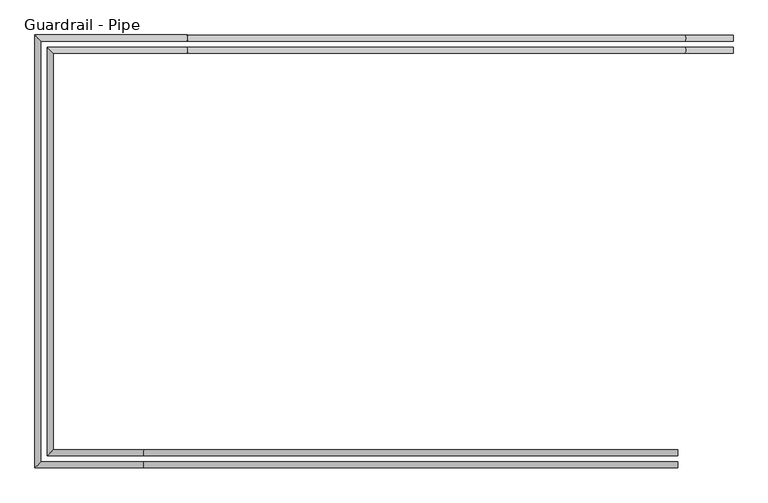
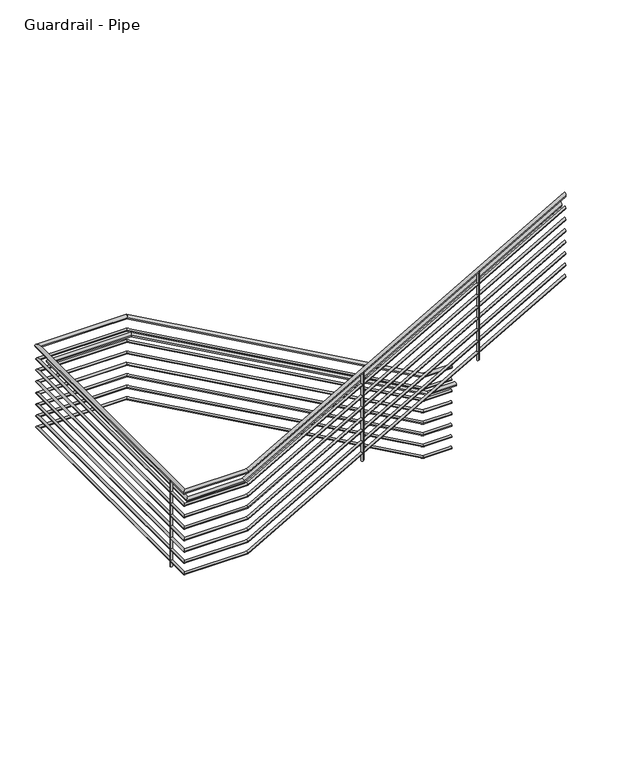
"""IFC4 building model written with IfcOpenShell, lengths in millimetres: railing geometry, Guardrail - Pipe."""

from ifc_helpers import new_model, si_unit, point, frame, frame_2d, origin, place, context, project, spatial, circle_curve, ellipse_curve, trimmed, segment, composite_curve, outline, extrude, source, transform, mapped, element, save
from ifc_brep_helpers import plane_surface, cylinder_surface, advanced_brep


def guardrail_pipe_139f4612(model_context):
    return source(origin(), model_context, "Body", "SolidModel", [
        advanced_brep(
        [(-10251.0564309, 4025.1651259, 5010.15), (-10251.0564309, 4063.2651259, 5010.15), (-10551.6817729, 4025.1651259, 5010.15), (-10551.6817729, 4063.2651259, 5010.15), (-13675.3821148, 4025.1651259, 6759.4369565), (-13675.3821148, 4063.2651259, 6759.4369565), (-14591.1612561, 4025.1651259, 6759.4369565), (-14629.2612561, 4063.2651259, 6759.4369565), (-14591.1612561, 1386.0904418, 6759.4369565), (-14629.2612561, 1347.9904418, 6759.4369565), (-13944.769628, 1386.0904418, 6759.4369565), (-13944.769628, 1347.9904418, 6759.4369565), (-10597.0112561, 1386.0904418, 8664.8804567), (-10597.0112561, 1347.9904418, 8664.8804567)],
        [
            (0, 1, circle_curve(frame((-10251.0564309, 4044.2151259, 5010.15), z_axis=(1.0, 0.0, 0.0), x_axis=(0.0, 1.0, 0.0)), 19.05)),
            (1, 0, circle_curve(frame((-10251.0564309, 4044.2151259, 5010.15), z_axis=(1.0, 0.0, 0.0), x_axis=(0.0, 1.0, 0.0)), 19.05)),
            (0, 2),
            (2, 3, ellipse_curve(frame((-10551.6817729, 4044.2151259, 5010.15), z_axis=(0.9676012241063199, 0.0, -0.252483407589393), x_axis=(0.2524834075893921, 0.0, 0.96760122410632)), 19.6878626, 19.05)),
            (3, 1),
            (3, 2, ellipse_curve(frame((-10551.6817729, 4044.2151259, 5010.15), z_axis=(0.9676012241063199, 0.0, -0.252483407589393), x_axis=(0.2524834075893921, 0.0, 0.96760122410632)), 19.6878626, 19.05)),
            (2, 4),
            (4, 5, ellipse_curve(frame((-13675.3821148, 4044.2151259, 6759.4369565), z_axis=(0.9676012241063199, 0.0, -0.2524834075893931), x_axis=(-0.2524834075893939, 0.0, -0.9676012241063195)), 19.6878626, 19.05)),
            (5, 3),
            (5, 4, ellipse_curve(frame((-13675.3821148, 4044.2151259, 6759.4369565), z_axis=(0.9676012241063199, 0.0, -0.2524834075893931), x_axis=(-0.2524834075893939, 0.0, -0.9676012241063195)), 19.6878626, 19.05)),
            (4, 6),
            (6, 7, ellipse_curve(frame((-14610.2112561, 4044.2151259, 6759.4369565), z_axis=(0.7071067811865449, 0.70710678118655, 0.0), x_axis=(0.7071067811865501, -0.7071067811865448, 0.0)), 26.9407684, 19.05)),
            (7, 5),
            (7, 6, ellipse_curve(frame((-14610.2112561, 4044.2151259, 6759.4369565), z_axis=(0.7071067811865449, 0.70710678118655, 0.0), x_axis=(0.7071067811865501, -0.7071067811865448, 0.0)), 26.9407684, 19.05)),
            (6, 8),
            (8, 9, ellipse_curve(frame((-14610.2112561, 1367.0404418, 6759.4369565), z_axis=(-0.7071067811865501, 0.707106781186545, 0.0), x_axis=(0.7071067811865451, 0.70710678118655, 0.0)), 26.9407684, 19.05)),
            (9, 7),
            (9, 8, ellipse_curve(frame((-14610.2112561, 1367.0404418, 6759.4369565), z_axis=(-0.7071067811865501, 0.707106781186545, 0.0), x_axis=(0.7071067811865451, 0.70710678118655, 0.0)), 26.9407684, 19.05)),
            (8, 10),
            (10, 11, ellipse_curve(frame((-13944.769628, 1367.0404418, 6759.4369565), z_axis=(-0.9667180176221439, 0.0, -0.2558442385607148), x_axis=(-0.25584423856071603, 0.0, 0.9667180176221437)), 19.7058497, 19.05)),
            (11, 9),
            (11, 10, ellipse_curve(frame((-13944.769628, 1367.0404418, 6759.4369565), z_axis=(-0.9667180176221439, 0.0, -0.2558442385607148), x_axis=(-0.25584423856071603, 0.0, 0.9667180176221437)), 19.7058497, 19.05)),
            (12, 13, ellipse_curve(frame((-10597.0112561, 1367.0404418, 8664.8804567), z_axis=(1.0, 0.0, 0.0), x_axis=(0.0, 0.0, -1.0)), 21.9195433, 19.05)),
            (13, 12, ellipse_curve(frame((-10597.0112561, 1367.0404418, 8664.8804567), z_axis=(1.0, 0.0, 0.0), x_axis=(0.0, 0.0, -1.0)), 21.9195433, 19.05)),
            (10, 12),
            (13, 11),
        ],
        [
            plane_surface(frame((-10251.0564309, 4044.2151259, 5029.2), z_axis=(1.0, 0.0, 0.0), x_axis=(0.0, -1.0, 0.0))),
            cylinder_surface(frame((-10251.0564309, 4044.2151259, 5010.15), z_axis=(1.0, 0.0, 0.0), x_axis=(0.0, 1.0, 0.0)), 19.05),
            cylinder_surface(frame((-10556.0188682, 4044.2151259, 5012.5787939), z_axis=(0.8725042577840969, 0.0, -0.48860650850006304), x_axis=(0.0, 1.0, 0.0)), 19.05),
            cylinder_surface(frame((-13670.4112561, 4044.2151259, 6759.4369565), z_axis=(1.0, 0.0, 0.0), x_axis=(0.0, 1.0, 0.0)), 19.05),
            cylinder_surface(frame((-14610.2112561, 4044.2151259, 6759.4369565), z_axis=(0.0, 1.0, 0.0), x_axis=(-1.0, 0.0, 0.0)), 19.05),
            cylinder_surface(frame((-14610.2112561, 1367.0404418, 6759.4369565), z_axis=(-1.0, 0.0, 0.0), x_axis=(0.0, -1.0, 0.0)), 19.05),
            plane_surface(frame((-10597.0112561, 1367.0404418, 8686.8), z_axis=(1.0, 0.0, 0.0), x_axis=(0.0, 1.0, 0.0))),
            cylinder_surface(frame((-13940.3880123, 1367.0404418, 6761.9308406), z_axis=(-0.8690874511905762, 0.0, -0.49465847024292225), x_axis=(0.0, -1.0, 0.0)), 19.05),
        ],
        [
            (0, [[1, 2]]),
            (1, [[-1, 3, 4, 5]]),
            (1, [[-2, -5, 6, -3]]),
            (2, [[-4, 7, 8, 9]]),
            (2, [[-6, -9, 10, -7]]),
            (3, [[-8, 11, 12, 13]]),
            (3, [[-10, -13, 14, -11]]),
            (4, [[-12, 15, 16, 17]]),
            (4, [[-14, -17, 18, -15]]),
            (5, [[-16, 19, 20, 21]]),
            (5, [[-18, -21, 22, -19]]),
            (6, [[23, 24]]),
            (7, [[-20, 25, -24, 26]]),
            (7, [[-22, -26, -23, -25]]),
        ],
    ),
        advanced_brep(
        [(-10251.0564309, 4031.5151259, 4864.1), (-10251.0564309, 4056.9151259, 4864.1), (-10550.02482, 4031.5151259, 4864.1), (-10550.02482, 4056.9151259, 4864.1), (-13673.7251619, 4031.5151259, 6613.3869565), (-13673.7251619, 4056.9151259, 6613.3869565), (-14597.5112561, 4031.5151259, 6613.3869565), (-14622.9112561, 4056.9151259, 6613.3869565), (-14597.5112561, 1379.7404418, 6613.3869565), (-14622.9112561, 1354.3404418, 6613.3869565), (-13946.4501707, 1379.7404418, 6613.3869565), (-13946.4501707, 1354.3404418, 6613.3869565), (-10597.0112561, 1379.7404418, 8519.7869711), (-10597.0112561, 1354.3404418, 8519.7869711)],
        [
            (0, 1, circle_curve(frame((-10251.0564309, 4044.2151259, 4864.1), z_axis=(1.0, 0.0, 0.0), x_axis=(0.0, 1.0, 0.0)), 12.7)),
            (1, 0, circle_curve(frame((-10251.0564309, 4044.2151259, 4864.1), z_axis=(1.0, 0.0, 0.0), x_axis=(0.0, 1.0, 0.0)), 12.7)),
            (0, 2),
            (2, 3, ellipse_curve(frame((-10550.02482, 4044.2151259, 4864.1), z_axis=(0.9676012241063199, 0.0, -0.25248340758939297), x_axis=(0.2524834075893922, 0.0, 0.96760122410632)), 13.1252418, 12.7)),
            (3, 1),
            (3, 2, ellipse_curve(frame((-10550.02482, 4044.2151259, 4864.1), z_axis=(0.9676012241063199, 0.0, -0.25248340758939297), x_axis=(0.2524834075893922, 0.0, 0.96760122410632)), 13.1252418, 12.7)),
            (2, 4),
            (4, 5, ellipse_curve(frame((-13673.7251619, 4044.2151259, 6613.3869565), z_axis=(0.9676012241063199, 0.0, -0.252483407589393), x_axis=(-0.2524834075893939, 0.0, -0.9676012241063194)), 13.1252418, 12.7)),
            (5, 3),
            (5, 4, ellipse_curve(frame((-13673.7251619, 4044.2151259, 6613.3869565), z_axis=(0.9676012241063199, 0.0, -0.252483407589393), x_axis=(-0.2524834075893939, 0.0, -0.9676012241063194)), 13.1252418, 12.7)),
            (4, 6),
            (6, 7, ellipse_curve(frame((-14610.2112561, 4044.2151259, 6613.3869565), z_axis=(0.7071067811865449, 0.70710678118655, 0.0), x_axis=(0.7071067811865501, -0.7071067811865448, 0.0)), 17.9605122, 12.7)),
            (7, 5),
            (7, 6, ellipse_curve(frame((-14610.2112561, 4044.2151259, 6613.3869565), z_axis=(0.7071067811865449, 0.70710678118655, 0.0), x_axis=(0.7071067811865501, -0.7071067811865448, 0.0)), 17.9605122, 12.7)),
            (6, 8),
            (8, 9, ellipse_curve(frame((-14610.2112561, 1367.0404418, 6613.3869565), z_axis=(-0.7071067811865501, 0.707106781186545, 0.0), x_axis=(0.7071067811865451, 0.70710678118655, 0.0)), 17.9605122, 12.7)),
            (9, 7),
            (9, 8, ellipse_curve(frame((-14610.2112561, 1367.0404418, 6613.3869565), z_axis=(-0.7071067811865501, 0.707106781186545, 0.0), x_axis=(0.7071067811865451, 0.70710678118655, 0.0)), 17.9605122, 12.7)),
            (8, 10),
            (10, 11, ellipse_curve(frame((-13946.4501707, 1367.0404418, 6613.3869565), z_axis=(-0.9667180176221439, 0.0, -0.2558442385607148), x_axis=(-0.25584423856071603, 0.0, 0.9667180176221437)), 13.1372332, 12.7)),
            (11, 9),
            (11, 10, ellipse_curve(frame((-13946.4501707, 1367.0404418, 6613.3869565), z_axis=(-0.9667180176221439, 0.0, -0.2558442385607148), x_axis=(-0.25584423856071603, 0.0, 0.9667180176221437)), 13.1372332, 12.7)),
            (12, 13, ellipse_curve(frame((-10597.0112561, 1367.0404418, 8519.7869711), z_axis=(1.0, 0.0, 0.0), x_axis=(0.0, 0.0, -1.0)), 14.6130289, 12.7)),
            (13, 12, ellipse_curve(frame((-10597.0112561, 1367.0404418, 8519.7869711), z_axis=(1.0, 0.0, 0.0), x_axis=(0.0, 0.0, -1.0)), 14.6130289, 12.7)),
            (10, 12),
            (13, 11),
        ],
        [
            plane_surface(frame((-10251.0564309, 4044.2151259, 4876.8), z_axis=(1.0, 0.0, 0.0), x_axis=(0.0, -1.0, 0.0))),
            cylinder_surface(frame((-10251.0564309, 4044.2151259, 4864.1), z_axis=(1.0, 0.0, 0.0), x_axis=(0.0, 1.0, 0.0)), 12.7),
            cylinder_surface(frame((-10552.9162169, 4044.2151259, 4865.7191959), z_axis=(0.872504257784097, 0.0, -0.488606508500063), x_axis=(0.0, 1.0, 0.0)), 12.7),
            cylinder_surface(frame((-13670.4112561, 4044.2151259, 6613.3869565), z_axis=(1.0, 0.0, 0.0), x_axis=(0.0, 1.0, 0.0)), 12.7),
            cylinder_surface(frame((-14610.2112561, 4044.2151259, 6613.3869565), z_axis=(0.0, 1.0, 0.0), x_axis=(-1.0, 0.0, 0.0)), 12.7),
            cylinder_surface(frame((-14610.2112561, 1367.0404418, 6613.3869565), z_axis=(-1.0, 0.0, 0.0), x_axis=(0.0, -1.0, 0.0)), 12.7),
            plane_surface(frame((-10597.0112561, 1367.0404418, 8534.4), z_axis=(1.0, 0.0, 0.0), x_axis=(0.0, 1.0, 0.0))),
            cylinder_surface(frame((-13943.5290936, 1367.0404418, 6615.0495459), z_axis=(-0.8690874511905762, 0.0, -0.49465847024292225), x_axis=(0.0, -1.0, 0.0)), 12.7),
        ],
        [
            (0, [[1, 2]]),
            (1, [[-1, 3, 4, 5]]),
            (1, [[-2, -5, 6, -3]]),
            (2, [[-4, 7, 8, 9]]),
            (2, [[-6, -9, 10, -7]]),
            (3, [[-8, 11, 12, 13]]),
            (3, [[-10, -13, 14, -11]]),
            (4, [[-12, 15, 16, 17]]),
            (4, [[-14, -17, 18, -15]]),
            (5, [[-16, 19, 20, 21]]),
            (5, [[-18, -21, 22, -19]]),
            (6, [[23, 24]]),
            (7, [[-20, 25, -24, 26]]),
            (7, [[-22, -26, -23, -25]]),
        ],
    ),
        advanced_brep(
        [(-10251.0564309, 3948.9651259, 4857.75), (-10251.0564309, 3987.0651259, 4857.75), (-10551.6817729, 3948.9651259, 4857.75), (-10551.6817729, 3987.0651259, 4857.75), (-13675.3821148, 3948.9651259, 6607.0369565), (-13675.3821148, 3987.0651259, 6607.0369565), (-14514.9612561, 3948.9651259, 6607.0369565), (-14553.0612561, 3987.0651259, 6607.0369565), (-14514.9612561, 1462.2904418, 6607.0369565), (-14553.0612561, 1424.1904418, 6607.0369565), (-13944.769628, 1462.2904418, 6607.0369565), (-13944.769628, 1424.1904418, 6607.0369565), (-10597.0112561, 1462.2904418, 8512.4804567), (-10597.0112561, 1424.1904418, 8512.4804567)],
        [
            (0, 1, circle_curve(frame((-10251.0564309, 3968.0151259, 4857.75), z_axis=(1.0, 0.0, 0.0), x_axis=(0.0, 1.0, 0.0)), 19.05)),
            (1, 0, circle_curve(frame((-10251.0564309, 3968.0151259, 4857.75), z_axis=(1.0, 0.0, 0.0), x_axis=(0.0, 1.0, 0.0)), 19.05)),
            (0, 2),
            (2, 3, ellipse_curve(frame((-10551.6817729, 3968.0151259, 4857.75), z_axis=(0.9676012241063199, 0.0, -0.25248340758939297), x_axis=(0.2524834075893922, 0.0, 0.96760122410632)), 19.6878626, 19.05)),
            (3, 1),
            (3, 2, ellipse_curve(frame((-10551.6817729, 3968.0151259, 4857.75), z_axis=(0.9676012241063199, 0.0, -0.25248340758939297), x_axis=(0.2524834075893922, 0.0, 0.96760122410632)), 19.6878626, 19.05)),
            (2, 4),
            (4, 5, ellipse_curve(frame((-13675.3821148, 3968.0151259, 6607.0369565), z_axis=(0.9676012241063199, 0.0, -0.252483407589393), x_axis=(-0.2524834075893939, 0.0, -0.9676012241063194)), 19.6878626, 19.05)),
            (5, 3),
            (5, 4, ellipse_curve(frame((-13675.3821148, 3968.0151259, 6607.0369565), z_axis=(0.9676012241063199, 0.0, -0.252483407589393), x_axis=(-0.2524834075893939, 0.0, -0.9676012241063194)), 19.6878626, 19.05)),
            (4, 6),
            (6, 7, ellipse_curve(frame((-14534.0112561, 3968.0151259, 6607.0369565), z_axis=(0.7071067811865449, 0.70710678118655, 0.0), x_axis=(0.7071067811865501, -0.7071067811865448, 0.0)), 26.9407684, 19.05)),
            (7, 5),
            (7, 6, ellipse_curve(frame((-14534.0112561, 3968.0151259, 6607.0369565), z_axis=(0.7071067811865449, 0.70710678118655, 0.0), x_axis=(0.7071067811865501, -0.7071067811865448, 0.0)), 26.9407684, 19.05)),
            (6, 8),
            (8, 9, ellipse_curve(frame((-14534.0112561, 1443.2404418, 6607.0369565), z_axis=(-0.7071067811865501, 0.707106781186545, 0.0), x_axis=(0.7071067811865451, 0.70710678118655, 0.0)), 26.9407684, 19.05)),
            (9, 7),
            (9, 8, ellipse_curve(frame((-14534.0112561, 1443.2404418, 6607.0369565), z_axis=(-0.7071067811865501, 0.707106781186545, 0.0), x_axis=(0.7071067811865451, 0.70710678118655, 0.0)), 26.9407684, 19.05)),
            (8, 10),
            (10, 11, ellipse_curve(frame((-13944.769628, 1443.2404418, 6607.0369565), z_axis=(-0.9667180176221439, 0.0, -0.2558442385607148), x_axis=(-0.25584423856071603, 0.0, 0.9667180176221437)), 19.7058497, 19.05)),
            (11, 9),
            (11, 10, ellipse_curve(frame((-13944.769628, 1443.2404418, 6607.0369565), z_axis=(-0.9667180176221439, 0.0, -0.2558442385607148), x_axis=(-0.25584423856071603, 0.0, 0.9667180176221437)), 19.7058497, 19.05)),
            (12, 13, ellipse_curve(frame((-10597.0112561, 1443.2404418, 8512.4804567), z_axis=(1.0, 0.0, 0.0), x_axis=(0.0, 0.0, -1.0)), 21.9195433, 19.05)),
            (13, 12, ellipse_curve(frame((-10597.0112561, 1443.2404418, 8512.4804567), z_axis=(1.0, 0.0, 0.0), x_axis=(0.0, 0.0, -1.0)), 21.9195433, 19.05)),
            (10, 12),
            (13, 11),
        ],
        [
            plane_surface(frame((-10251.0564309, 3968.0151259, 4876.8), z_axis=(1.0, 0.0, 0.0), x_axis=(0.0, -1.0, 0.0))),
            cylinder_surface(frame((-10251.0564309, 3968.0151259, 4857.75), z_axis=(1.0, 0.0, 0.0), x_axis=(0.0, 1.0, 0.0)), 19.05),
            cylinder_surface(frame((-10556.0188682, 3968.0151259, 4860.1787939), z_axis=(0.872504257784097, 0.0, -0.488606508500063), x_axis=(0.0, 1.0, 0.0)), 19.05),
            cylinder_surface(frame((-13670.4112561, 3968.0151259, 6607.0369565), z_axis=(1.0, 0.0, 0.0), x_axis=(0.0, 1.0, 0.0)), 19.05),
            cylinder_surface(frame((-14534.0112561, 3968.0151259, 6607.0369565), z_axis=(0.0, 1.0, 0.0), x_axis=(-1.0, 0.0, 0.0)), 19.05),
            cylinder_surface(frame((-14534.0112561, 1443.2404418, 6607.0369565), z_axis=(-1.0, 0.0, 0.0), x_axis=(0.0, -1.0, 0.0)), 19.05),
            plane_surface(frame((-10597.0112561, 1443.2404418, 8534.4), z_axis=(1.0, 0.0, 0.0), x_axis=(0.0, 1.0, 0.0))),
            cylinder_surface(frame((-13940.3880123, 1443.2404418, 6609.5308406), z_axis=(-0.8690874511905762, 0.0, -0.49465847024292225), x_axis=(0.0, -1.0, 0.0)), 19.05),
        ],
        [
            (0, [[1, 2]]),
            (1, [[-1, 3, 4, 5]]),
            (1, [[-2, -5, 6, -3]]),
            (2, [[-4, 7, 8, 9]]),
            (2, [[-6, -9, 10, -7]]),
            (3, [[-8, 11, 12, 13]]),
            (3, [[-10, -13, 14, -11]]),
            (4, [[-12, 15, 16, 17]]),
            (4, [[-14, -17, 18, -15]]),
            (5, [[-16, 19, 20, 21]]),
            (5, [[-18, -21, 22, -19]]),
            (6, [[23, 24]]),
            (7, [[-20, 25, -24, 26]]),
            (7, [[-22, -26, -23, -25]]),
        ],
    ),
        advanced_brep(
        [(-10251.0564309, 4031.5151259, 4737.1), (-10251.0564309, 4056.9151259, 4737.1), (-10550.02482, 4031.5151259, 4737.1), (-10550.02482, 4056.9151259, 4737.1), (-13673.7251619, 4031.5151259, 6486.3869565), (-13673.7251619, 4056.9151259, 6486.3869565), (-14597.5112561, 4031.5151259, 6486.3869565), (-14622.9112561, 4056.9151259, 6486.3869565), (-14597.5112561, 1379.7404418, 6486.3869565), (-14622.9112561, 1354.3404418, 6486.3869565), (-13946.4501707, 1379.7404418, 6486.3869565), (-13946.4501707, 1354.3404418, 6486.3869565), (-10597.0112561, 1379.7404418, 8392.7869711), (-10597.0112561, 1354.3404418, 8392.7869711)],
        [
            (0, 1, circle_curve(frame((-10251.0564309, 4044.2151259, 4737.1), z_axis=(1.0, 0.0, 0.0), x_axis=(0.0, 1.0, 0.0)), 12.7)),
            (1, 0, circle_curve(frame((-10251.0564309, 4044.2151259, 4737.1), z_axis=(1.0, 0.0, 0.0), x_axis=(0.0, 1.0, 0.0)), 12.7)),
            (0, 2),
            (2, 3, ellipse_curve(frame((-10550.02482, 4044.2151259, 4737.1), z_axis=(0.9676012241063198, 0.0, -0.25248340758939286), x_axis=(0.2524834075893931, 0.0, 0.9676012241063198)), 13.1252418, 12.7)),
            (3, 1),
            (3, 2, ellipse_curve(frame((-10550.02482, 4044.2151259, 4737.1), z_axis=(0.9676012241063198, 0.0, -0.25248340758939286), x_axis=(0.2524834075893931, 0.0, 0.9676012241063198)), 13.1252418, 12.7)),
            (2, 4),
            (4, 5, ellipse_curve(frame((-13673.7251619, 4044.2151259, 6486.3869565), z_axis=(0.9676012241063198, 0.0, -0.25248340758939286), x_axis=(-0.25248340758939264, 0.0, -0.9676012241063199)), 13.1252418, 12.7)),
            (5, 3),
            (5, 4, ellipse_curve(frame((-13673.7251619, 4044.2151259, 6486.3869565), z_axis=(0.9676012241063198, 0.0, -0.25248340758939286), x_axis=(-0.25248340758939264, 0.0, -0.9676012241063199)), 13.1252418, 12.7)),
            (4, 6),
            (6, 7, ellipse_curve(frame((-14610.2112561, 4044.2151259, 6486.3869565), z_axis=(0.7071067811865449, 0.70710678118655, 0.0), x_axis=(0.7071067811865501, -0.7071067811865448, 0.0)), 17.9605122, 12.7)),
            (7, 5),
            (7, 6, ellipse_curve(frame((-14610.2112561, 4044.2151259, 6486.3869565), z_axis=(0.7071067811865449, 0.70710678118655, 0.0), x_axis=(0.7071067811865501, -0.7071067811865448, 0.0)), 17.9605122, 12.7)),
            (6, 8),
            (8, 9, ellipse_curve(frame((-14610.2112561, 1367.0404418, 6486.3869565), z_axis=(-0.7071067811865501, 0.707106781186545, 0.0), x_axis=(0.7071067811865451, 0.70710678118655, 0.0)), 17.9605122, 12.7)),
            (9, 7),
            (9, 8, ellipse_curve(frame((-14610.2112561, 1367.0404418, 6486.3869565), z_axis=(-0.7071067811865501, 0.707106781186545, 0.0), x_axis=(0.7071067811865451, 0.70710678118655, 0.0)), 17.9605122, 12.7)),
            (8, 10),
            (10, 11, ellipse_curve(frame((-13946.4501707, 1367.0404418, 6486.3869565), z_axis=(-0.9667180176221442, 0.0, -0.25584423856071475), x_axis=(-0.25584423856071425, 0.0, 0.9667180176221442)), 13.1372332, 12.7)),
            (11, 9),
            (11, 10, ellipse_curve(frame((-13946.4501707, 1367.0404418, 6486.3869565), z_axis=(-0.9667180176221442, 0.0, -0.25584423856071475), x_axis=(-0.25584423856071425, 0.0, 0.9667180176221442)), 13.1372332, 12.7)),
            (12, 13, ellipse_curve(frame((-10597.0112561, 1367.0404418, 8392.7869711), z_axis=(1.0, 0.0, 0.0), x_axis=(0.0, 0.0, -1.0)), 14.6130289, 12.7)),
            (13, 12, ellipse_curve(frame((-10597.0112561, 1367.0404418, 8392.7869711), z_axis=(1.0, 0.0, 0.0), x_axis=(0.0, 0.0, -1.0)), 14.6130289, 12.7)),
            (10, 12),
            (13, 11),
        ],
        [
            plane_surface(frame((-10251.0564309, 4044.2151259, 4749.8), z_axis=(1.0, 0.0, 0.0), x_axis=(0.0, -1.0, 0.0))),
            cylinder_surface(frame((-10251.0564309, 4044.2151259, 4737.1), z_axis=(1.0, 0.0, 0.0), x_axis=(0.0, 1.0, 0.0)), 12.7),
            cylinder_surface(frame((-10552.9162169, 4044.2151259, 4738.7191959), z_axis=(0.8725042577840971, 0.0, -0.4886065085000629), x_axis=(0.0, 1.0, 0.0)), 12.7),
            cylinder_surface(frame((-13670.4112561, 4044.2151259, 6486.3869565), z_axis=(1.0, 0.0, 0.0), x_axis=(0.0, 1.0, 0.0)), 12.7),
            cylinder_surface(frame((-14610.2112561, 4044.2151259, 6486.3869565), z_axis=(0.0, 1.0, 0.0), x_axis=(-1.0, 0.0, 0.0)), 12.7),
            cylinder_surface(frame((-14610.2112561, 1367.0404418, 6486.3869565), z_axis=(-1.0, 0.0, 0.0), x_axis=(0.0, -1.0, 0.0)), 12.7),
            plane_surface(frame((-10597.0112561, 1367.0404418, 8407.4), z_axis=(1.0, 0.0, 0.0), x_axis=(0.0, 1.0, 0.0))),
            cylinder_surface(frame((-13943.5290936, 1367.0404418, 6488.0495459), z_axis=(-0.8690874511905762, 0.0, -0.49465847024292214), x_axis=(0.0, -1.0, 0.0)), 12.7),
        ],
        [
            (0, [[1, 2]]),
            (1, [[-1, 3, 4, 5]]),
            (1, [[-2, -5, 6, -3]]),
            (2, [[-4, 7, 8, 9]]),
            (2, [[-6, -9, 10, -7]]),
            (3, [[-8, 11, 12, 13]]),
            (3, [[-10, -13, 14, -11]]),
            (4, [[-12, 15, 16, 17]]),
            (4, [[-14, -17, 18, -15]]),
            (5, [[-16, 19, 20, 21]]),
            (5, [[-18, -21, 22, -19]]),
            (6, [[23, 24]]),
            (7, [[-20, 25, -24, 26]]),
            (7, [[-22, -26, -23, -25]]),
        ],
    ),
        advanced_brep(
        [(-10251.0564309, 4031.5151259, 4610.1), (-10251.0564309, 4056.9151259, 4610.1), (-10550.02482, 4031.5151259, 4610.1), (-10550.02482, 4056.9151259, 4610.1), (-13673.7251619, 4031.5151259, 6359.3869565), (-13673.7251619, 4056.9151259, 6359.3869565), (-14597.5112561, 4031.5151259, 6359.3869565), (-14622.9112561, 4056.9151259, 6359.3869565), (-14597.5112561, 1379.7404418, 6359.3869565), (-14622.9112561, 1354.3404418, 6359.3869565), (-13946.4501707, 1379.7404418, 6359.3869565), (-13946.4501707, 1354.3404418, 6359.3869565), (-10597.0112561, 1379.7404418, 8265.7869711), (-10597.0112561, 1354.3404418, 8265.7869711)],
        [
            (0, 1, circle_curve(frame((-10251.0564309, 4044.2151259, 4610.1), z_axis=(1.0, 0.0, 0.0), x_axis=(0.0, 1.0, 0.0)), 12.7)),
            (1, 0, circle_curve(frame((-10251.0564309, 4044.2151259, 4610.1), z_axis=(1.0, 0.0, 0.0), x_axis=(0.0, 1.0, 0.0)), 12.7)),
            (0, 2),
            (2, 3, ellipse_curve(frame((-10550.02482, 4044.2151259, 4610.1), z_axis=(0.9676012241063199, 0.0, -0.252483407589393), x_axis=(0.2524834075893921, 0.0, 0.96760122410632)), 13.1252418, 12.7)),
            (3, 1),
            (3, 2, ellipse_curve(frame((-10550.02482, 4044.2151259, 4610.1), z_axis=(0.9676012241063199, 0.0, -0.252483407589393), x_axis=(0.2524834075893921, 0.0, 0.96760122410632)), 13.1252418, 12.7)),
            (2, 4),
            (4, 5, ellipse_curve(frame((-13673.7251619, 4044.2151259, 6359.3869565), z_axis=(0.9676012241063199, 0.0, -0.2524834075893931), x_axis=(-0.2524834075893939, 0.0, -0.9676012241063195)), 13.1252418, 12.7)),
            (5, 3),
            (5, 4, ellipse_curve(frame((-13673.7251619, 4044.2151259, 6359.3869565), z_axis=(0.9676012241063199, 0.0, -0.2524834075893931), x_axis=(-0.2524834075893939, 0.0, -0.9676012241063195)), 13.1252418, 12.7)),
            (4, 6),
            (6, 7, ellipse_curve(frame((-14610.2112561, 4044.2151259, 6359.3869565), z_axis=(0.7071067811865449, 0.70710678118655, 0.0), x_axis=(0.7071067811865501, -0.7071067811865448, 0.0)), 17.9605122, 12.7)),
            (7, 5),
            (7, 6, ellipse_curve(frame((-14610.2112561, 4044.2151259, 6359.3869565), z_axis=(0.7071067811865449, 0.70710678118655, 0.0), x_axis=(0.7071067811865501, -0.7071067811865448, 0.0)), 17.9605122, 12.7)),
            (6, 8),
            (8, 9, ellipse_curve(frame((-14610.2112561, 1367.0404418, 6359.3869565), z_axis=(-0.7071067811865501, 0.707106781186545, 0.0), x_axis=(0.7071067811865451, 0.70710678118655, 0.0)), 17.9605122, 12.7)),
            (9, 7),
            (9, 8, ellipse_curve(frame((-14610.2112561, 1367.0404418, 6359.3869565), z_axis=(-0.7071067811865501, 0.707106781186545, 0.0), x_axis=(0.7071067811865451, 0.70710678118655, 0.0)), 17.9605122, 12.7)),
            (8, 10),
            (10, 11, ellipse_curve(frame((-13946.4501707, 1367.0404418, 6359.3869565), z_axis=(-0.9667180176221439, 0.0, -0.2558442385607148), x_axis=(-0.25584423856071603, 0.0, 0.9667180176221437)), 13.1372332, 12.7)),
            (11, 9),
            (11, 10, ellipse_curve(frame((-13946.4501707, 1367.0404418, 6359.3869565), z_axis=(-0.9667180176221439, 0.0, -0.2558442385607148), x_axis=(-0.25584423856071603, 0.0, 0.9667180176221437)), 13.1372332, 12.7)),
            (12, 13, ellipse_curve(frame((-10597.0112561, 1367.0404418, 8265.7869711), z_axis=(1.0, 0.0, 0.0), x_axis=(0.0, 0.0, -1.0)), 14.6130289, 12.7)),
            (13, 12, ellipse_curve(frame((-10597.0112561, 1367.0404418, 8265.7869711), z_axis=(1.0, 0.0, 0.0), x_axis=(0.0, 0.0, -1.0)), 14.6130289, 12.7)),
            (10, 12),
            (13, 11),
        ],
        [
            plane_surface(frame((-10251.0564309, 4044.2151259, 4622.8), z_axis=(1.0, 0.0, 0.0), x_axis=(0.0, -1.0, 0.0))),
            cylinder_surface(frame((-10251.0564309, 4044.2151259, 4610.1), z_axis=(1.0, 0.0, 0.0), x_axis=(0.0, 1.0, 0.0)), 12.7),
            cylinder_surface(frame((-10552.9162169, 4044.2151259, 4611.7191959), z_axis=(0.8725042577840969, 0.0, -0.48860650850006304), x_axis=(0.0, 1.0, 0.0)), 12.7),
            cylinder_surface(frame((-13670.4112561, 4044.2151259, 6359.3869565), z_axis=(1.0, 0.0, 0.0), x_axis=(0.0, 1.0, 0.0)), 12.7),
            cylinder_surface(frame((-14610.2112561, 4044.2151259, 6359.3869565), z_axis=(0.0, 1.0, 0.0), x_axis=(-1.0, 0.0, 0.0)), 12.7),
            cylinder_surface(frame((-14610.2112561, 1367.0404418, 6359.3869565), z_axis=(-1.0, 0.0, 0.0), x_axis=(0.0, -1.0, 0.0)), 12.7),
            plane_surface(frame((-10597.0112561, 1367.0404418, 8280.4), z_axis=(1.0, 0.0, 0.0), x_axis=(0.0, 1.0, 0.0))),
            cylinder_surface(frame((-13943.5290936, 1367.0404418, 6361.0495459), z_axis=(-0.8690874511905762, 0.0, -0.49465847024292225), x_axis=(0.0, -1.0, 0.0)), 12.7),
        ],
        [
            (0, [[1, 2]]),
            (1, [[-1, 3, 4, 5]]),
            (1, [[-2, -5, 6, -3]]),
            (2, [[-4, 7, 8, 9]]),
            (2, [[-6, -9, 10, -7]]),
            (3, [[-8, 11, 12, 13]]),
            (3, [[-10, -13, 14, -11]]),
            (4, [[-12, 15, 16, 17]]),
            (4, [[-14, -17, 18, -15]]),
            (5, [[-16, 19, 20, 21]]),
            (5, [[-18, -21, 22, -19]]),
            (6, [[23, 24]]),
            (7, [[-20, 25, -24, 26]]),
            (7, [[-22, -26, -23, -25]]),
        ],
    ),
        advanced_brep(
        [(-10251.0564309, 4031.5151259, 4483.1), (-10251.0564309, 4056.9151259, 4483.1), (-10550.02482, 4031.5151259, 4483.1), (-10550.02482, 4056.9151259, 4483.1), (-13673.7251619, 4031.5151259, 6232.3869565), (-13673.7251619, 4056.9151259, 6232.3869565), (-14597.5112561, 4031.5151259, 6232.3869565), (-14622.9112561, 4056.9151259, 6232.3869565), (-14597.5112561, 1379.7404418, 6232.3869565), (-14622.9112561, 1354.3404418, 6232.3869565), (-13946.4501707, 1379.7404418, 6232.3869565), (-13946.4501707, 1354.3404418, 6232.3869565), (-10597.0112561, 1379.7404418, 8138.7869711), (-10597.0112561, 1354.3404418, 8138.7869711)],
        [
            (0, 1, circle_curve(frame((-10251.0564309, 4044.2151259, 4483.1), z_axis=(1.0, 0.0, 0.0), x_axis=(0.0, 1.0, 0.0)), 12.7)),
            (1, 0, circle_curve(frame((-10251.0564309, 4044.2151259, 4483.1), z_axis=(1.0, 0.0, 0.0), x_axis=(0.0, 1.0, 0.0)), 12.7)),
            (0, 2),
            (2, 3, ellipse_curve(frame((-10550.02482, 4044.2151259, 4483.1), z_axis=(0.9676012241063199, 0.0, -0.25248340758939297), x_axis=(0.2524834075893922, 0.0, 0.96760122410632)), 13.1252418, 12.7)),
            (3, 1),
            (3, 2, ellipse_curve(frame((-10550.02482, 4044.2151259, 4483.1), z_axis=(0.9676012241063199, 0.0, -0.25248340758939297), x_axis=(0.2524834075893922, 0.0, 0.96760122410632)), 13.1252418, 12.7)),
            (2, 4),
            (4, 5, ellipse_curve(frame((-13673.7251619, 4044.2151259, 6232.3869565), z_axis=(0.9676012241063199, 0.0, -0.252483407589393), x_axis=(-0.2524834075893939, 0.0, -0.9676012241063194)), 13.1252418, 12.7)),
            (5, 3),
            (5, 4, ellipse_curve(frame((-13673.7251619, 4044.2151259, 6232.3869565), z_axis=(0.9676012241063199, 0.0, -0.252483407589393), x_axis=(-0.2524834075893939, 0.0, -0.9676012241063194)), 13.1252418, 12.7)),
            (4, 6),
            (6, 7, ellipse_curve(frame((-14610.2112561, 4044.2151259, 6232.3869565), z_axis=(0.7071067811865449, 0.70710678118655, 0.0), x_axis=(0.7071067811865501, -0.7071067811865448, 0.0)), 17.9605122, 12.7)),
            (7, 5),
            (7, 6, ellipse_curve(frame((-14610.2112561, 4044.2151259, 6232.3869565), z_axis=(0.7071067811865449, 0.70710678118655, 0.0), x_axis=(0.7071067811865501, -0.7071067811865448, 0.0)), 17.9605122, 12.7)),
            (6, 8),
            (8, 9, ellipse_curve(frame((-14610.2112561, 1367.0404418, 6232.3869565), z_axis=(-0.7071067811865501, 0.707106781186545, 0.0), x_axis=(0.7071067811865451, 0.70710678118655, 0.0)), 17.9605122, 12.7)),
            (9, 7),
            (9, 8, ellipse_curve(frame((-14610.2112561, 1367.0404418, 6232.3869565), z_axis=(-0.7071067811865501, 0.707106781186545, 0.0), x_axis=(0.7071067811865451, 0.70710678118655, 0.0)), 17.9605122, 12.7)),
            (8, 10),
            (10, 11, ellipse_curve(frame((-13946.4501707, 1367.0404418, 6232.3869565), z_axis=(-0.9667180176221439, 0.0, -0.2558442385607148), x_axis=(-0.25584423856071603, 0.0, 0.9667180176221437)), 13.1372332, 12.7)),
            (11, 9),
            (11, 10, ellipse_curve(frame((-13946.4501707, 1367.0404418, 6232.3869565), z_axis=(-0.9667180176221439, 0.0, -0.2558442385607148), x_axis=(-0.25584423856071603, 0.0, 0.9667180176221437)), 13.1372332, 12.7)),
            (12, 13, ellipse_curve(frame((-10597.0112561, 1367.0404418, 8138.7869711), z_axis=(1.0, 0.0, 0.0), x_axis=(0.0, 0.0, -1.0)), 14.6130289, 12.7)),
            (13, 12, ellipse_curve(frame((-10597.0112561, 1367.0404418, 8138.7869711), z_axis=(1.0, 0.0, 0.0), x_axis=(0.0, 0.0, -1.0)), 14.6130289, 12.7)),
            (10, 12),
            (13, 11),
        ],
        [
            plane_surface(frame((-10251.0564309, 4044.2151259, 4495.8), z_axis=(1.0, 0.0, 0.0), x_axis=(0.0, -1.0, 0.0))),
            cylinder_surface(frame((-10251.0564309, 4044.2151259, 4483.1), z_axis=(1.0, 0.0, 0.0), x_axis=(0.0, 1.0, 0.0)), 12.7),
            cylinder_surface(frame((-10552.9162169, 4044.2151259, 4484.7191959), z_axis=(0.872504257784097, 0.0, -0.488606508500063), x_axis=(0.0, 1.0, 0.0)), 12.7),
            cylinder_surface(frame((-13670.4112561, 4044.2151259, 6232.3869565), z_axis=(1.0, 0.0, 0.0), x_axis=(0.0, 1.0, 0.0)), 12.7),
            cylinder_surface(frame((-14610.2112561, 4044.2151259, 6232.3869565), z_axis=(0.0, 1.0, 0.0), x_axis=(-1.0, 0.0, 0.0)), 12.7),
            cylinder_surface(frame((-14610.2112561, 1367.0404418, 6232.3869565), z_axis=(-1.0, 0.0, 0.0), x_axis=(0.0, -1.0, 0.0)), 12.7),
            plane_surface(frame((-10597.0112561, 1367.0404418, 8153.4), z_axis=(1.0, 0.0, 0.0), x_axis=(0.0, 1.0, 0.0))),
            cylinder_surface(frame((-13943.5290936, 1367.0404418, 6234.0495459), z_axis=(-0.8690874511905762, 0.0, -0.49465847024292225), x_axis=(0.0, -1.0, 0.0)), 12.7),
        ],
        [
            (0, [[1, 2]]),
            (1, [[-1, 3, 4, 5]]),
            (1, [[-2, -5, 6, -3]]),
            (2, [[-4, 7, 8, 9]]),
            (2, [[-6, -9, 10, -7]]),
            (3, [[-8, 11, 12, 13]]),
            (3, [[-10, -13, 14, -11]]),
            (4, [[-12, 15, 16, 17]]),
            (4, [[-14, -17, 18, -15]]),
            (5, [[-16, 19, 20, 21]]),
            (5, [[-18, -21, 22, -19]]),
            (6, [[23, 24]]),
            (7, [[-20, 25, -24, 26]]),
            (7, [[-22, -26, -23, -25]]),
        ],
    ),
        advanced_brep(
        [(-10251.0564309, 4031.5151259, 4356.1), (-10251.0564309, 4056.9151259, 4356.1), (-10550.02482, 4031.5151259, 4356.1), (-10550.02482, 4056.9151259, 4356.1), (-13673.7251619, 4031.5151259, 6105.3869565), (-13673.7251619, 4056.9151259, 6105.3869565), (-14597.5112561, 4031.5151259, 6105.3869565), (-14622.9112561, 4056.9151259, 6105.3869565), (-14597.5112561, 1379.7404418, 6105.3869565), (-14622.9112561, 1354.3404418, 6105.3869565), (-13946.4501707, 1379.7404418, 6105.3869565), (-13946.4501707, 1354.3404418, 6105.3869565), (-10597.0112561, 1379.7404418, 8011.7869711), (-10597.0112561, 1354.3404418, 8011.7869711)],
        [
            (0, 1, circle_curve(frame((-10251.0564309, 4044.2151259, 4356.1), z_axis=(1.0, 0.0, 0.0), x_axis=(0.0, 1.0, 0.0)), 12.7)),
            (1, 0, circle_curve(frame((-10251.0564309, 4044.2151259, 4356.1), z_axis=(1.0, 0.0, 0.0), x_axis=(0.0, 1.0, 0.0)), 12.7)),
            (0, 2),
            (2, 3, ellipse_curve(frame((-10550.02482, 4044.2151259, 4356.1), z_axis=(0.9676012241063198, 0.0, -0.25248340758939286), x_axis=(0.2524834075893931, 0.0, 0.9676012241063198)), 13.1252418, 12.7)),
            (3, 1),
            (3, 2, ellipse_curve(frame((-10550.02482, 4044.2151259, 4356.1), z_axis=(0.9676012241063198, 0.0, -0.25248340758939286), x_axis=(0.2524834075893931, 0.0, 0.9676012241063198)), 13.1252418, 12.7)),
            (2, 4),
            (4, 5, ellipse_curve(frame((-13673.7251619, 4044.2151259, 6105.3869565), z_axis=(0.9676012241063198, 0.0, -0.25248340758939286), x_axis=(-0.25248340758939264, 0.0, -0.9676012241063199)), 13.1252418, 12.7)),
            (5, 3),
            (5, 4, ellipse_curve(frame((-13673.7251619, 4044.2151259, 6105.3869565), z_axis=(0.9676012241063198, 0.0, -0.25248340758939286), x_axis=(-0.25248340758939264, 0.0, -0.9676012241063199)), 13.1252418, 12.7)),
            (4, 6),
            (6, 7, ellipse_curve(frame((-14610.2112561, 4044.2151259, 6105.3869565), z_axis=(0.7071067811865449, 0.70710678118655, 0.0), x_axis=(0.7071067811865501, -0.7071067811865448, 0.0)), 17.9605122, 12.7)),
            (7, 5),
            (7, 6, ellipse_curve(frame((-14610.2112561, 4044.2151259, 6105.3869565), z_axis=(0.7071067811865449, 0.70710678118655, 0.0), x_axis=(0.7071067811865501, -0.7071067811865448, 0.0)), 17.9605122, 12.7)),
            (6, 8),
            (8, 9, ellipse_curve(frame((-14610.2112561, 1367.0404418, 6105.3869565), z_axis=(-0.7071067811865501, 0.707106781186545, 0.0), x_axis=(0.7071067811865451, 0.70710678118655, 0.0)), 17.9605122, 12.7)),
            (9, 7),
            (9, 8, ellipse_curve(frame((-14610.2112561, 1367.0404418, 6105.3869565), z_axis=(-0.7071067811865501, 0.707106781186545, 0.0), x_axis=(0.7071067811865451, 0.70710678118655, 0.0)), 17.9605122, 12.7)),
            (8, 10),
            (10, 11, ellipse_curve(frame((-13946.4501707, 1367.0404418, 6105.3869565), z_axis=(-0.9667180176221442, 0.0, -0.25584423856071475), x_axis=(-0.25584423856071425, 0.0, 0.9667180176221442)), 13.1372332, 12.7)),
            (11, 9),
            (11, 10, ellipse_curve(frame((-13946.4501707, 1367.0404418, 6105.3869565), z_axis=(-0.9667180176221442, 0.0, -0.25584423856071475), x_axis=(-0.25584423856071425, 0.0, 0.9667180176221442)), 13.1372332, 12.7)),
            (12, 13, ellipse_curve(frame((-10597.0112561, 1367.0404418, 8011.7869711), z_axis=(1.0, 0.0, 0.0), x_axis=(0.0, 0.0, -1.0)), 14.6130289, 12.7)),
            (13, 12, ellipse_curve(frame((-10597.0112561, 1367.0404418, 8011.7869711), z_axis=(1.0, 0.0, 0.0), x_axis=(0.0, 0.0, -1.0)), 14.6130289, 12.7)),
            (10, 12),
            (13, 11),
        ],
        [
            plane_surface(frame((-10251.0564309, 4044.2151259, 4368.8), z_axis=(1.0, 0.0, 0.0), x_axis=(0.0, -1.0, 0.0))),
            cylinder_surface(frame((-10251.0564309, 4044.2151259, 4356.1), z_axis=(1.0, 0.0, 0.0), x_axis=(0.0, 1.0, 0.0)), 12.7),
            cylinder_surface(frame((-10552.9162169, 4044.2151259, 4357.7191959), z_axis=(0.8725042577840971, 0.0, -0.4886065085000629), x_axis=(0.0, 1.0, 0.0)), 12.7),
            cylinder_surface(frame((-13670.4112561, 4044.2151259, 6105.3869565), z_axis=(1.0, 0.0, 0.0), x_axis=(0.0, 1.0, 0.0)), 12.7),
            cylinder_surface(frame((-14610.2112561, 4044.2151259, 6105.3869565), z_axis=(0.0, 1.0, 0.0), x_axis=(-1.0, 0.0, 0.0)), 12.7),
            cylinder_surface(frame((-14610.2112561, 1367.0404418, 6105.3869565), z_axis=(-1.0, 0.0, 0.0), x_axis=(0.0, -1.0, 0.0)), 12.7),
            plane_surface(frame((-10597.0112561, 1367.0404418, 8026.4), z_axis=(1.0, 0.0, 0.0), x_axis=(0.0, 1.0, 0.0))),
            cylinder_surface(frame((-13943.5290936, 1367.0404418, 6107.0495459), z_axis=(-0.8690874511905762, 0.0, -0.49465847024292214), x_axis=(0.0, -1.0, 0.0)), 12.7),
        ],
        [
            (0, [[1, 2]]),
            (1, [[-1, 3, 4, 5]]),
            (1, [[-2, -5, 6, -3]]),
            (2, [[-4, 7, 8, 9]]),
            (2, [[-6, -9, 10, -7]]),
            (3, [[-8, 11, 12, 13]]),
            (3, [[-10, -13, 14, -11]]),
            (4, [[-12, 15, 16, 17]]),
            (4, [[-14, -17, 18, -15]]),
            (5, [[-16, 19, 20, 21]]),
            (5, [[-18, -21, 22, -19]]),
            (6, [[23, 24]]),
            (7, [[-20, 25, -24, 26]]),
            (7, [[-22, -26, -23, -25]]),
        ],
    ),
        advanced_brep(
        [(-10251.0564309, 4031.5151259, 4229.1), (-10251.0564309, 4056.9151259, 4229.1), (-10550.02482, 4031.5151259, 4229.1), (-10550.02482, 4056.9151259, 4229.1), (-13673.7251619, 4031.5151259, 5978.3869565), (-13673.7251619, 4056.9151259, 5978.3869565), (-14597.5112561, 4031.5151259, 5978.3869565), (-14622.9112561, 4056.9151259, 5978.3869565), (-14597.5112561, 1379.7404418, 5978.3869565), (-14622.9112561, 1354.3404418, 5978.3869565), (-13946.4501707, 1379.7404418, 5978.3869565), (-13946.4501707, 1354.3404418, 5978.3869565), (-10597.0112561, 1379.7404418, 7884.7869711), (-10597.0112561, 1354.3404418, 7884.7869711)],
        [
            (0, 1, circle_curve(frame((-10251.0564309, 4044.2151259, 4229.1), z_axis=(1.0, 0.0, 0.0), x_axis=(0.0, 1.0, 0.0)), 12.7)),
            (1, 0, circle_curve(frame((-10251.0564309, 4044.2151259, 4229.1), z_axis=(1.0, 0.0, 0.0), x_axis=(0.0, 1.0, 0.0)), 12.7)),
            (0, 2),
            (2, 3, ellipse_curve(frame((-10550.02482, 4044.2151259, 4229.1), z_axis=(0.9676012241063199, 0.0, -0.252483407589393), x_axis=(0.2524834075893921, 0.0, 0.96760122410632)), 13.1252418, 12.7)),
            (3, 1),
            (3, 2, ellipse_curve(frame((-10550.02482, 4044.2151259, 4229.1), z_axis=(0.9676012241063199, 0.0, -0.252483407589393), x_axis=(0.2524834075893921, 0.0, 0.96760122410632)), 13.1252418, 12.7)),
            (2, 4),
            (4, 5, ellipse_curve(frame((-13673.7251619, 4044.2151259, 5978.3869565), z_axis=(0.9676012241063199, 0.0, -0.2524834075893931), x_axis=(-0.2524834075893939, 0.0, -0.9676012241063195)), 13.1252418, 12.7)),
            (5, 3),
            (5, 4, ellipse_curve(frame((-13673.7251619, 4044.2151259, 5978.3869565), z_axis=(0.9676012241063199, 0.0, -0.2524834075893931), x_axis=(-0.2524834075893939, 0.0, -0.9676012241063195)), 13.1252418, 12.7)),
            (4, 6),
            (6, 7, ellipse_curve(frame((-14610.2112561, 4044.2151259, 5978.3869565), z_axis=(0.7071067811865449, 0.70710678118655, 0.0), x_axis=(0.7071067811865501, -0.7071067811865448, 0.0)), 17.9605122, 12.7)),
            (7, 5),
            (7, 6, ellipse_curve(frame((-14610.2112561, 4044.2151259, 5978.3869565), z_axis=(0.7071067811865449, 0.70710678118655, 0.0), x_axis=(0.7071067811865501, -0.7071067811865448, 0.0)), 17.9605122, 12.7)),
            (6, 8),
            (8, 9, ellipse_curve(frame((-14610.2112561, 1367.0404418, 5978.3869565), z_axis=(-0.7071067811865501, 0.707106781186545, 0.0), x_axis=(0.7071067811865451, 0.70710678118655, 0.0)), 17.9605122, 12.7)),
            (9, 7),
            (9, 8, ellipse_curve(frame((-14610.2112561, 1367.0404418, 5978.3869565), z_axis=(-0.7071067811865501, 0.707106781186545, 0.0), x_axis=(0.7071067811865451, 0.70710678118655, 0.0)), 17.9605122, 12.7)),
            (8, 10),
            (10, 11, ellipse_curve(frame((-13946.4501707, 1367.0404418, 5978.3869565), z_axis=(-0.9667180176221439, 0.0, -0.2558442385607148), x_axis=(-0.25584423856071603, 0.0, 0.9667180176221437)), 13.1372332, 12.7)),
            (11, 9),
            (11, 10, ellipse_curve(frame((-13946.4501707, 1367.0404418, 5978.3869565), z_axis=(-0.9667180176221439, 0.0, -0.2558442385607148), x_axis=(-0.25584423856071603, 0.0, 0.9667180176221437)), 13.1372332, 12.7)),
            (12, 13, ellipse_curve(frame((-10597.0112561, 1367.0404418, 7884.7869711), z_axis=(1.0, 0.0, 0.0), x_axis=(0.0, 0.0, -1.0)), 14.6130289, 12.7)),
            (13, 12, ellipse_curve(frame((-10597.0112561, 1367.0404418, 7884.7869711), z_axis=(1.0, 0.0, 0.0), x_axis=(0.0, 0.0, -1.0)), 14.6130289, 12.7)),
            (10, 12),
            (13, 11),
        ],
        [
            plane_surface(frame((-10251.0564309, 4044.2151259, 4241.8), z_axis=(1.0, 0.0, 0.0), x_axis=(0.0, -1.0, 0.0))),
            cylinder_surface(frame((-10251.0564309, 4044.2151259, 4229.1), z_axis=(1.0, 0.0, 0.0), x_axis=(0.0, 1.0, 0.0)), 12.7),
            cylinder_surface(frame((-10552.9162169, 4044.2151259, 4230.7191959), z_axis=(0.8725042577840969, 0.0, -0.48860650850006304), x_axis=(0.0, 1.0, 0.0)), 12.7),
            cylinder_surface(frame((-13670.4112561, 4044.2151259, 5978.3869565), z_axis=(1.0, 0.0, 0.0), x_axis=(0.0, 1.0, 0.0)), 12.7),
            cylinder_surface(frame((-14610.2112561, 4044.2151259, 5978.3869565), z_axis=(0.0, 1.0, 0.0), x_axis=(-1.0, 0.0, 0.0)), 12.7),
            cylinder_surface(frame((-14610.2112561, 1367.0404418, 5978.3869565), z_axis=(-1.0, 0.0, 0.0), x_axis=(0.0, -1.0, 0.0)), 12.7),
            plane_surface(frame((-10597.0112561, 1367.0404418, 7899.4), z_axis=(1.0, 0.0, 0.0), x_axis=(0.0, 1.0, 0.0))),
            cylinder_surface(frame((-13943.5290936, 1367.0404418, 5980.0495459), z_axis=(-0.8690874511905762, 0.0, -0.49465847024292225), x_axis=(0.0, -1.0, 0.0)), 12.7),
        ],
        [
            (0, [[1, 2]]),
            (1, [[-1, 3, 4, 5]]),
            (1, [[-2, -5, 6, -3]]),
            (2, [[-4, 7, 8, 9]]),
            (2, [[-6, -9, 10, -7]]),
            (3, [[-8, 11, 12, 13]]),
            (3, [[-10, -13, 14, -11]]),
            (4, [[-12, 15, 16, 17]]),
            (4, [[-14, -17, 18, -15]]),
            (5, [[-16, 19, 20, 21]]),
            (5, [[-18, -21, 22, -19]]),
            (6, [[23, 24]]),
            (7, [[-20, 25, -24, 26]]),
            (7, [[-22, -26, -23, -25]]),
        ],
    ),
        advanced_brep(
        [(-10251.0564309, 4031.5151259, 4102.1), (-10251.0564309, 4056.9151259, 4102.1), (-10550.02482, 4031.5151259, 4102.1), (-10550.02482, 4056.9151259, 4102.1), (-13673.7251619, 4031.5151259, 5851.3869565), (-13673.7251619, 4056.9151259, 5851.3869565), (-14597.5112561, 4031.5151259, 5851.3869565), (-14622.9112561, 4056.9151259, 5851.3869565), (-14597.5112561, 1379.7404418, 5851.3869565), (-14622.9112561, 1354.3404418, 5851.3869565), (-13946.4501707, 1379.7404418, 5851.3869565), (-13946.4501707, 1354.3404418, 5851.3869565), (-10597.0112561, 1379.7404418, 7757.7869711), (-10597.0112561, 1354.3404418, 7757.7869711)],
        [
            (0, 1, circle_curve(frame((-10251.0564309, 4044.2151259, 4102.1), z_axis=(1.0, 0.0, 0.0), x_axis=(0.0, 1.0, 0.0)), 12.7)),
            (1, 0, circle_curve(frame((-10251.0564309, 4044.2151259, 4102.1), z_axis=(1.0, 0.0, 0.0), x_axis=(0.0, 1.0, 0.0)), 12.7)),
            (0, 2),
            (2, 3, ellipse_curve(frame((-10550.02482, 4044.2151259, 4102.1), z_axis=(0.9676012241063199, 0.0, -0.25248340758939297), x_axis=(0.2524834075893922, 0.0, 0.96760122410632)), 13.1252418, 12.7)),
            (3, 1),
            (3, 2, ellipse_curve(frame((-10550.02482, 4044.2151259, 4102.1), z_axis=(0.9676012241063199, 0.0, -0.25248340758939297), x_axis=(0.2524834075893922, 0.0, 0.96760122410632)), 13.1252418, 12.7)),
            (2, 4),
            (4, 5, ellipse_curve(frame((-13673.7251619, 4044.2151259, 5851.3869565), z_axis=(0.9676012241063199, 0.0, -0.252483407589393), x_axis=(-0.2524834075893939, 0.0, -0.9676012241063194)), 13.1252418, 12.7)),
            (5, 3),
            (5, 4, ellipse_curve(frame((-13673.7251619, 4044.2151259, 5851.3869565), z_axis=(0.9676012241063199, 0.0, -0.252483407589393), x_axis=(-0.2524834075893939, 0.0, -0.9676012241063194)), 13.1252418, 12.7)),
            (4, 6),
            (6, 7, ellipse_curve(frame((-14610.2112561, 4044.2151259, 5851.3869565), z_axis=(0.7071067811865449, 0.70710678118655, 0.0), x_axis=(0.7071067811865501, -0.7071067811865448, 0.0)), 17.9605122, 12.7)),
            (7, 5),
            (7, 6, ellipse_curve(frame((-14610.2112561, 4044.2151259, 5851.3869565), z_axis=(0.7071067811865449, 0.70710678118655, 0.0), x_axis=(0.7071067811865501, -0.7071067811865448, 0.0)), 17.9605122, 12.7)),
            (6, 8),
            (8, 9, ellipse_curve(frame((-14610.2112561, 1367.0404418, 5851.3869565), z_axis=(-0.7071067811865501, 0.707106781186545, 0.0), x_axis=(0.7071067811865451, 0.70710678118655, 0.0)), 17.9605122, 12.7)),
            (9, 7),
            (9, 8, ellipse_curve(frame((-14610.2112561, 1367.0404418, 5851.3869565), z_axis=(-0.7071067811865501, 0.707106781186545, 0.0), x_axis=(0.7071067811865451, 0.70710678118655, 0.0)), 17.9605122, 12.7)),
            (8, 10),
            (10, 11, ellipse_curve(frame((-13946.4501707, 1367.0404418, 5851.3869565), z_axis=(-0.9667180176221439, 0.0, -0.2558442385607148), x_axis=(-0.25584423856071603, 0.0, 0.9667180176221437)), 13.1372332, 12.7)),
            (11, 9),
            (11, 10, ellipse_curve(frame((-13946.4501707, 1367.0404418, 5851.3869565), z_axis=(-0.9667180176221439, 0.0, -0.2558442385607148), x_axis=(-0.25584423856071603, 0.0, 0.9667180176221437)), 13.1372332, 12.7)),
            (12, 13, ellipse_curve(frame((-10597.0112561, 1367.0404418, 7757.7869711), z_axis=(1.0, 0.0, 0.0), x_axis=(0.0, 0.0, -1.0)), 14.6130289, 12.7)),
            (13, 12, ellipse_curve(frame((-10597.0112561, 1367.0404418, 7757.7869711), z_axis=(1.0, 0.0, 0.0), x_axis=(0.0, 0.0, -1.0)), 14.6130289, 12.7)),
            (10, 12),
            (13, 11),
        ],
        [
            plane_surface(frame((-10251.0564309, 4044.2151259, 4114.8), z_axis=(1.0, 0.0, 0.0), x_axis=(0.0, -1.0, 0.0))),
            cylinder_surface(frame((-10251.0564309, 4044.2151259, 4102.1), z_axis=(1.0, 0.0, 0.0), x_axis=(0.0, 1.0, 0.0)), 12.7),
            cylinder_surface(frame((-10552.9162169, 4044.2151259, 4103.7191959), z_axis=(0.872504257784097, 0.0, -0.488606508500063), x_axis=(0.0, 1.0, 0.0)), 12.7),
            cylinder_surface(frame((-13670.4112561, 4044.2151259, 5851.3869565), z_axis=(1.0, 0.0, 0.0), x_axis=(0.0, 1.0, 0.0)), 12.7),
            cylinder_surface(frame((-14610.2112561, 4044.2151259, 5851.3869565), z_axis=(0.0, 1.0, 0.0), x_axis=(-1.0, 0.0, 0.0)), 12.7),
            cylinder_surface(frame((-14610.2112561, 1367.0404418, 5851.3869565), z_axis=(-1.0, 0.0, 0.0), x_axis=(0.0, -1.0, 0.0)), 12.7),
            plane_surface(frame((-10597.0112561, 1367.0404418, 7772.4), z_axis=(1.0, 0.0, 0.0), x_axis=(0.0, 1.0, 0.0))),
            cylinder_surface(frame((-13943.5290936, 1367.0404418, 5853.0495459), z_axis=(-0.8690874511905762, 0.0, -0.49465847024292225), x_axis=(0.0, -1.0, 0.0)), 12.7),
        ],
        [
            (0, [[1, 2]]),
            (1, [[-1, 3, 4, 5]]),
            (1, [[-2, -5, 6, -3]]),
            (2, [[-4, 7, 8, 9]]),
            (2, [[-6, -9, 10, -7]]),
            (3, [[-8, 11, 12, 13]]),
            (3, [[-10, -13, 14, -11]]),
            (4, [[-12, 15, 16, 17]]),
            (4, [[-14, -17, 18, -15]]),
            (5, [[-16, 19, 20, 21]]),
            (5, [[-18, -21, 22, -19]]),
            (6, [[23, 24]]),
            (7, [[-20, 25, -24, 26]]),
            (7, [[-22, -26, -23, -25]]),
        ],
    ),
        advanced_brep(
        [(-11511.4112561, 1354.3404418, 8122.5119016), (-11511.4112561, 1354.3404418, 7149.3013031), (-11511.4112561, 1379.7404418, 7149.3013031), (-11511.4112561, 1379.7404418, 8122.5119016)],
        [
            (0, 1),
            (1, 2, ellipse_curve(frame((-11511.4112561, 1367.0404418, 7149.3013031), z_axis=(-0.4946584702428729, 0.0, 0.8690874511906043), x_axis=(0.8690874511906043, 0.0, 0.4946584702428727)), 14.6130289, 12.7)),
            (2, 3),
            (3, 0, ellipse_curve(frame((-11511.4112561, 1367.0404418, 8122.5119016), z_axis=(0.49465847024286946, 0.0, -0.8690874511906063), x_axis=(0.8690874511906064, 0.0, 0.49465847024286896)), 14.6130289, 12.7)),
            (0, 3, ellipse_curve(frame((-11511.4112561, 1367.0404418, 8122.5119016), z_axis=(0.49465847024286946, 0.0, -0.8690874511906063), x_axis=(0.8690874511906064, 0.0, 0.49465847024286896)), 14.6130289, 12.7)),
            (2, 1, ellipse_curve(frame((-11511.4112561, 1367.0404418, 7149.3013031), z_axis=(-0.4946584702428729, 0.0, 0.8690874511906043), x_axis=(0.8690874511906043, 0.0, 0.4946584702428727)), 14.6130289, 12.7)),
        ],
        [
            cylinder_surface(frame((-11511.4112561, 1367.0404418, 6920.7013031), z_axis=(0.0, 0.0, 1.0), x_axis=(0.0, 1.0, 0.0)), 12.7),
            plane_surface(frame((-11486.0112561, 1392.4404418, 8136.9688186), z_axis=(-0.49465847024286946, 0.0, 0.8690874511906063), x_axis=(0.0, -1.0, 0.0))),
            plane_surface(frame((-11536.8112561, 1392.4404418, 7134.8443862), z_axis=(0.4946584702428729, 0.0, -0.8690874511906043), x_axis=(0.0, -1.0, 0.0))),
        ],
        [
            (0, [[1, 2, 3, 4]]),
            (0, [[-1, 5, -3, 6]]),
            (1, [[-4, -5]]),
            (2, [[-2, -6]]),
        ],
    ),
        advanced_brep(
        [(-12730.6112561, 1354.3404418, 7428.5798858), (-12730.6112561, 1354.3404418, 6455.3692873), (-12730.6112561, 1379.7404418, 6455.3692873), (-12730.6112561, 1379.7404418, 7428.5798858)],
        [
            (0, 1),
            (1, 2, ellipse_curve(frame((-12730.6112561, 1367.0404418, 6455.3692873), z_axis=(-0.4946584702428729, 0.0, 0.8690874511906043), x_axis=(0.8690874511906043, 0.0, 0.4946584702428727)), 14.6130289, 12.7)),
            (2, 3),
            (3, 0, ellipse_curve(frame((-12730.6112561, 1367.0404418, 7428.5798858), z_axis=(0.49465847024286946, 0.0, -0.8690874511906063), x_axis=(0.8690874511906064, 0.0, 0.49465847024286896)), 14.6130289, 12.7)),
            (0, 3, ellipse_curve(frame((-12730.6112561, 1367.0404418, 7428.5798858), z_axis=(0.49465847024286946, 0.0, -0.8690874511906063), x_axis=(0.8690874511906064, 0.0, 0.49465847024286896)), 14.6130289, 12.7)),
            (2, 1, ellipse_curve(frame((-12730.6112561, 1367.0404418, 6455.3692873), z_axis=(-0.4946584702428729, 0.0, 0.8690874511906043), x_axis=(0.8690874511906043, 0.0, 0.4946584702428727)), 14.6130289, 12.7)),
        ],
        [
            cylinder_surface(frame((-12730.6112561, 1367.0404418, 6226.7692873), z_axis=(0.0, 0.0, 1.0), x_axis=(0.0, 1.0, 0.0)), 12.7),
            plane_surface(frame((-12705.2112561, 1392.4404418, 7443.0368028), z_axis=(-0.49465847024286946, 0.0, 0.8690874511906063), x_axis=(0.0, -1.0, 0.0))),
            plane_surface(frame((-12756.0112561, 1392.4404418, 6440.9123703), z_axis=(0.4946584702428729, 0.0, -0.8690874511906043), x_axis=(0.0, -1.0, 0.0))),
        ],
        [
            (0, [[1, 2, 3, 4]]),
            (0, [[-1, 5, -3, 6]]),
            (1, [[-4, -5]]),
            (2, [[-2, -6]]),
        ],
    ),
        extrude(outline(composite_curve([segment(trimmed(circle_curve(frame_2d((-14610.2112561, 1605.8151259)), 12.7), [point((-14597.5112561, 1605.8151259))], [point((-14622.9112561, 1605.8151259))], False, "CARTESIAN"), True, "CONTINUOUS"), segment(trimmed(circle_curve(frame_2d((-14610.2112561, 1605.8151259)), 12.7), [point((-14622.9112561, 1605.8151259))], [point((-14597.5112561, 1605.8151259))], False, "CARTESIAN"), True, "CONTINUOUS")], self_intersect=False)), frame((0.0, 0.0, 5787.8869565), z_axis=(0.0, 0.0, 1.0), x_axis=(1.0, 0.0, 0.0)), (0.0, 0.0, 1.0), 952.5),
    ])


if __name__ == "__main__":
    model = new_model("IFC4")
    model_context = context("Model", 3, world=origin())
    ifc_project = project(units=[si_unit("LENGTHUNIT", "METRE", prefix="MILLI")], contexts=[model_context])
    site = spatial("IfcSite", under=ifc_project)
    building = spatial("IfcBuilding", under=site)
    placement = place(None, origin())
    guardrail_pipe_shape = guardrail_pipe_139f4612(model_context)
    element("IfcRailing", 1, ObjectType="Guardrail - Pipe", at=placement, inside=building, context=model_context, shape_type="MappedRepresentation", body=[
        mapped(guardrail_pipe_shape, transform((0.0, 0.0, 0.0), x_axis=(1.0, 0.0, 0.0), y_axis=(0.0, 1.0, 0.0), z_axis=(0.0, 0.0, 1.0))),
    ])
    save(model, "model.ifc")
